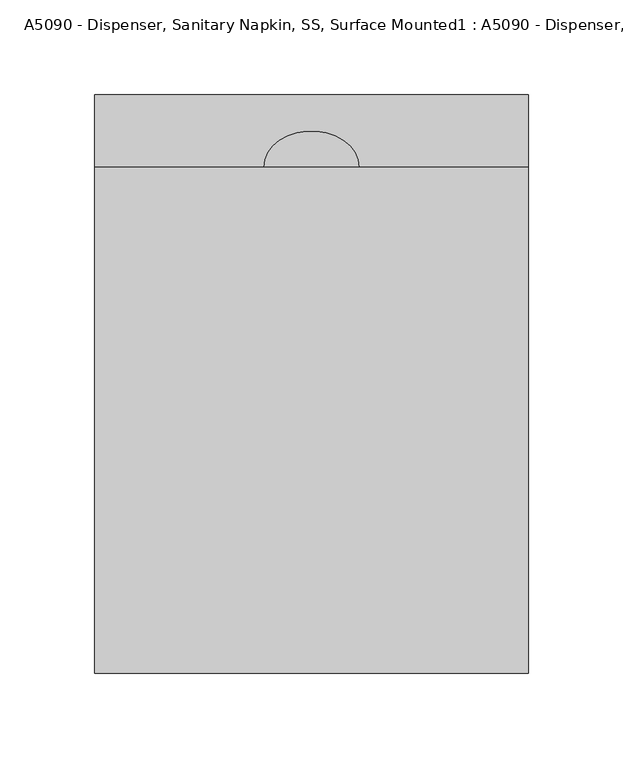
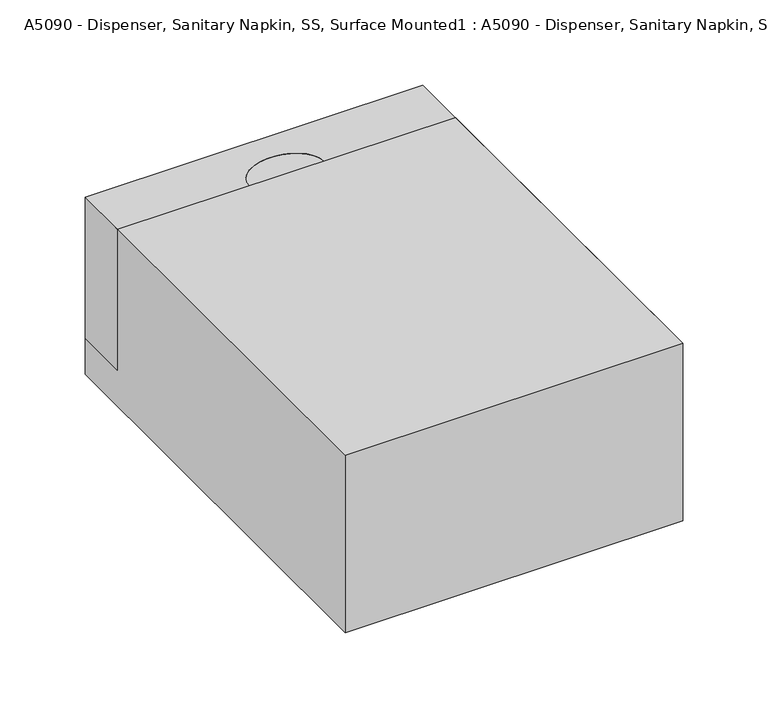
"""IFC4 building model written with IfcOpenShell, lengths in millimetres: proxy geometry, A5090 - Dispenser, Sanitary Napkin, SS, Surface Mounted1 : A5090 - Dispenser, Sanitary Napkin, SS, Surface Mounted."""

from ifc_helpers import new_model, si_unit, point, frame, origin, origin_with_axes, place, context, project, spatial, polyline, ellipse_curve, trimmed, outline, extrude, source, transform, mapped, element, save
from ifc_brep_helpers import plane_surface, extruded_surface, advanced_brep


def a5090_dispenser_sanitary_napkin_ss_surface_mounted1_a5090_ce8c1d57(model_context):
    return source(origin(), model_context, "Body", "SolidModel", [
        extrude(outline(polyline([(0.0, 127.0), (266.7, 127.0), (266.7, 25.4), (304.8, 25.4), (304.8, 0.0), (0.0, 0.0), (0.0, 127.0)])), frame((-114.3, 0.0, 0.0), z_axis=(1.0, 0.0, 0.0), x_axis=(0.0, 1.0, 0.0)), (0.0, 0.0, 1.0), 228.6),
        advanced_brep(
        [(114.3, 304.8, 127.0), (-114.3, 304.8, 127.0), (-114.3, 266.7, 127.0), (-25.4, 266.7, 127.0), (25.4, 266.7, 127.0), (114.3, 266.7, 127.0), (114.3, 304.8, 25.4), (114.3, 266.7, 25.4), (25.4, 266.7, 25.4), (-25.4, 266.7, 25.4), (-114.3, 266.7, 25.4), (-114.3, 304.8, 25.4)],
        [
            (0, 1),
            (1, 2),
            (2, 3),
            (3, 4, ellipse_curve(frame((0.0, 266.7, 127.0), z_axis=(0.0, 0.0, -1.0), x_axis=(1.0, 0.0, 0.0)), 25.4, 19.05)),
            (4, 5),
            (5, 0),
            (6, 7),
            (7, 8),
            (8, 9, ellipse_curve(frame((0.0, 266.7, 25.4), z_axis=(0.0, 0.0, 1.0), x_axis=(1.0, 0.0, 0.0)), 25.4, 19.05)),
            (9, 10),
            (10, 11),
            (11, 6),
            (0, 6),
            (11, 1),
            (10, 2),
            (9, 3),
            (8, 4),
            (7, 5),
        ],
        [
            plane_surface(frame((-114.3, 304.8, 127.0), z_axis=(0.0, 0.0, 1.0), x_axis=(-1.0, 0.0, 0.0))),
            plane_surface(frame((-114.3, 304.8, 25.4), z_axis=(0.0, 0.0, -1.0), x_axis=(1.0, 0.0, 0.0))),
            plane_surface(frame((114.3, 304.8, 127.0), z_axis=(0.0, 1.0, 0.0), x_axis=(0.0, 0.0, -1.0))),
            plane_surface(frame((-114.3, 304.8, 127.0), z_axis=(-1.0, 0.0, 0.0), x_axis=(0.0, 0.0, -1.0))),
            plane_surface(frame((-114.3, 266.7, 127.0), z_axis=(0.0, -1.0, 0.0), x_axis=(0.0, 0.0, -1.0))),
            extruded_surface(trimmed(ellipse_curve(frame((0.0, 266.7, -76.2), z_axis=(0.0, 0.0, -1.0), x_axis=(1.0, 0.0, 0.0)), 25.4, 19.05), [point((-25.4, 266.7, -76.2))], [point((25.4, 266.7, -76.2))], True, "CARTESIAN"), (0.0, 0.0, 101.6), 101.6),
            plane_surface(frame((25.4, 266.7, 127.0), z_axis=(0.0, -1.0, 0.0), x_axis=(0.0, 0.0, -1.0))),
            plane_surface(frame((114.3, 266.7, 127.0), z_axis=(1.0, 0.0, 0.0), x_axis=(0.0, 0.0, -1.0))),
        ],
        [
            (0, [[1, 2, 3, 4, 5, 6]]),
            (1, [[7, 8, 9, 10, 11, 12]]),
            (2, [[-1, 13, -12, 14]]),
            (3, [[-2, -14, -11, 15]]),
            (4, [[-3, -15, -10, 16]]),
            (5, [[-4, -16, -9, 17]]),
            (6, [[-5, -17, -8, 18]]),
            (7, [[-6, -18, -7, -13]]),
        ],
    ),
        extrude(outline(polyline([(114.3, 304.8), (114.3, 0.0), (-114.3, 0.0), (-114.3, 304.8), (114.3, 304.8)])), origin_with_axes(), (0.0, 0.0, 1.0), 127.0),
    ])


if __name__ == "__main__":
    model = new_model("IFC4")
    model_context = context("Model", 3, world=origin())
    ifc_project = project(units=[si_unit("LENGTHUNIT", "METRE", prefix="MILLI")], contexts=[model_context])
    site = spatial("IfcSite", under=ifc_project)
    building = spatial("IfcBuilding", under=site)
    placement = place(None, origin())
    a5090_dispenser_sanitary_napkin_ss_surface_mounted1_a5090_shape = a5090_dispenser_sanitary_napkin_ss_surface_mounted1_a5090_ce8c1d57(model_context)
    element("IfcBuildingElementProxy", 1, Name="A5090 - Dispenser, Sanitary Napkin, SS, Surface Mounted1 : A5090 - Dispenser, Sanitary Napkin, SS, Surface Mounted", ObjectType="A5090 - Dispenser, Sanitary Napkin, SS, Surface Mounted1 : A5090 - Dispenser, Sanitary Napkin, SS, Surface Mounted", at=placement, inside=building, context=model_context, shape_type="MappedRepresentation", body=[
        mapped(a5090_dispenser_sanitary_napkin_ss_surface_mounted1_a5090_shape, transform((0.0, 0.0, 0.0), x_axis=(1.0, 0.0, 0.0), y_axis=(0.0, 1.0, 0.0), z_axis=(0.0, 0.0, 1.0))),
    ])
    save(model, "model.ifc")
